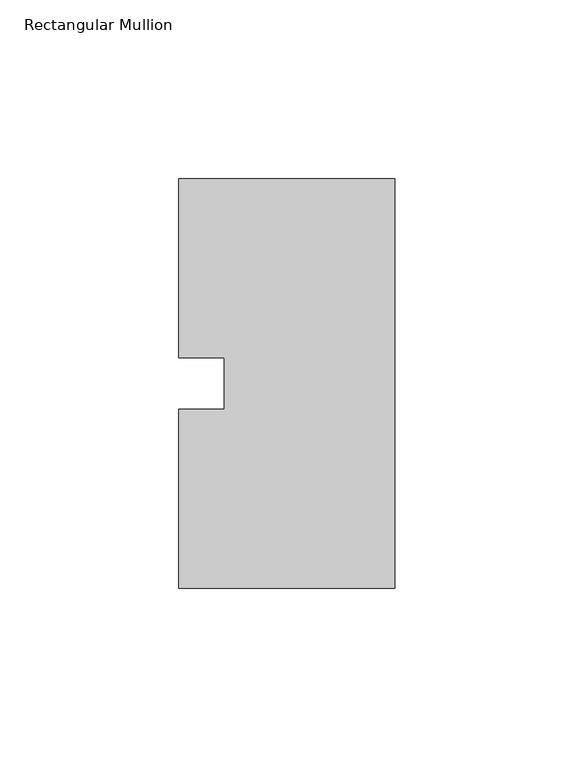
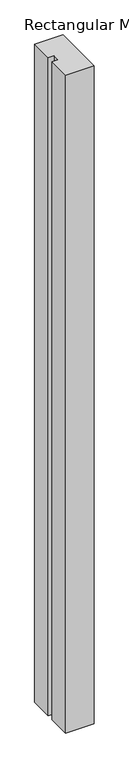
"""IFC4 building model written with IfcOpenShell, lengths in millimetres: member geometry, Rectangular Mullion."""

import ifcopenshell
import ifcopenshell.guid

model = None  # the IFC model being written
_history = None  # IfcOwnerHistory: only IFC2X3 demands one
_inside = {}  # id of a spatial element -> (the spatial element, [elements in it])
_under = {}  # id of a project, library or spatial element -> (it, [spatial elements below it])
_declared = {}  # id of a project -> (the project, [libraries it declares])
_typed = {}  # id of a type object -> (the type object, [elements of that type])
_made_of = {}  # id of a material, layer set ... -> (it, [elements and type objects made of it])


def new_model(schema):
    """Start an empty IFC model of exactly this schema.

    Asked for "IFC4X3", IfcOpenShell would pick the latest addendum, in which some entities
    have other attributes; the version numbers below select the first issue.
    IFC2X3 requires an IfcOwnerHistory on every rooted entity: one is made here for all.
    """
    global model, _history
    if schema == "IFC4X3":
        model = ifcopenshell.file(schema_version=(4, 3, 0, 0))
    else:
        model = ifcopenshell.file(schema=schema)
    _inside.clear()
    _under.clear()
    _declared.clear()
    _typed.clear()
    _made_of.clear()
    _history = None
    if model.schema == "IFC2X3":
        org = make("IfcOrganization", Name="unknown")
        user = make(
            "IfcPersonAndOrganization",
            ThePerson=make("IfcPerson", FamilyName="unknown"),
            TheOrganization=org,
        )
        app = make(
            "IfcApplication",
            ApplicationDeveloper=org,
            Version="unknown",
            ApplicationFullName="unknown",
            ApplicationIdentifier="unknown",
        )
        _history = make(
            "IfcOwnerHistory",
            OwningUser=user,
            OwningApplication=app,
            ChangeAction="ADDED",
            CreationDate=0,
        )
    return model


def make(cls, **values):
    """One entity of the class cls with the attributes given. An attribute that is None is left unset."""
    return model.create_entity(
        cls, **{name: value for name, value in values.items() if value is not None}
    )


def rooted(cls, **values):
    """An entity with a GlobalId (a new one), such as an element, a storey or a relation."""
    return make(cls, GlobalId=ifcopenshell.guid.new(), OwnerHistory=_history, **values)


def si_unit(unit_type, name, prefix=None):
    """IfcSIUnit, for example si_unit("LENGTHUNIT", "METRE", prefix="MILLI")."""
    return make("IfcSIUnit", UnitType=unit_type, Prefix=prefix, Name=name)


def assignment(units):
    """IfcUnitAssignment: the units of a project."""
    return None if units is None else make("IfcUnitAssignment", Units=units)


def point(xyz):
    """IfcCartesianPoint."""
    return None if xyz is None else make("IfcCartesianPoint", Coordinates=xyz)


def direction(xyz):
    """IfcDirection."""
    return None if xyz is None else make("IfcDirection", DirectionRatios=xyz)


def frame(location, z_axis=None, x_axis=None):
    """IfcAxis2Placement3D, a coordinate frame: its origin and axes. An axis left out is left unset."""
    return make(
        "IfcAxis2Placement3D",
        Location=point(location),
        Axis=direction(z_axis),
        RefDirection=direction(x_axis),
    )


def origin():
    """The frame at (0, 0, 0) with its axes left unset."""
    return frame((0.0, 0.0, 0.0))


def place(relative_to, where):
    """IfcLocalPlacement: puts the frame where relative to a parent placement (None: the world)."""
    return make(
        "IfcLocalPlacement", PlacementRelTo=relative_to, RelativePlacement=where
    )


def context(
    kind, dimensions, precision=None, world=None, true_north=None, identifier=None
):
    """IfcGeometricRepresentationContext, for example the 3D "Model" context."""
    return make(
        "IfcGeometricRepresentationContext",
        ContextIdentifier=identifier,
        ContextType=kind,
        CoordinateSpaceDimension=dimensions,
        Precision=precision,
        WorldCoordinateSystem=world,
        TrueNorth=true_north,
    )


def project(units=None, contexts=None):
    """IfcProject with its units and contexts."""
    return rooted(
        "IfcProject",
        Name="project",
        RepresentationContexts=contexts,
        UnitsInContext=assignment(units),
    )


def spatial(cls, under=None, at=None, **own):
    """A site, building, storey or space (cls), placed at a placement, below another one or the project."""
    s = rooted(cls, ObjectPlacement=at, **own)
    if under is not None:
        _under.setdefault(under.id(), (under, []))[1].append(s)
    return s


def polyline(points):
    """IfcPolyline through the points."""
    return make("IfcPolyline", Points=[point(p) for p in points])


def outline(outer, holes=None, kind="AREA"):
    """IfcArbitraryClosedProfileDef: a profile drawn as a closed curve; with holes, ...WithVoids."""
    if holes is None:
        return make("IfcArbitraryClosedProfileDef", ProfileType=kind, OuterCurve=outer)
    return make(
        "IfcArbitraryProfileDefWithVoids",
        ProfileType=kind,
        OuterCurve=outer,
        InnerCurves=holes,
    )


def extrude(swept, where, along, depth):
    """IfcExtrudedAreaSolid: the profile swept, set in the frame where, extruded along a direction by depth."""
    return make(
        "IfcExtrudedAreaSolid",
        SweptArea=swept,
        Position=where,
        ExtrudedDirection=direction(along),
        Depth=depth,
    )


def shape(context_of_items, identifier, shape_type, items):
    """IfcShapeRepresentation: the items that make up one representation, for example the "Body"."""
    return make(
        "IfcShapeRepresentation",
        ContextOfItems=context_of_items,
        RepresentationIdentifier=identifier,
        RepresentationType=shape_type,
        Items=items,
    )


def source(mapping_origin, context_of_items, identifier, shape_type, items):
    """IfcRepresentationMap: a shape defined once, which mapped items show again and again."""
    return make(
        "IfcRepresentationMap",
        MappingOrigin=mapping_origin,
        MappedRepresentation=shape(context_of_items, identifier, shape_type, items),
    )


def transform(
    local_origin,
    x_axis=None,
    y_axis=None,
    z_axis=None,
    scale=None,
    scale2=None,
    scale3=None,
    uniform=True,
):
    """IfcCartesianTransformationOperator3D, or its non-uniform kind. x_axis, y_axis, z_axis: its Axis1, 2, 3."""
    if uniform:
        return make(
            "IfcCartesianTransformationOperator3D",
            Axis1=direction(x_axis),
            Axis2=direction(y_axis),
            LocalOrigin=point(local_origin),
            Scale=scale,
            Axis3=direction(z_axis),
        )
    return make(
        "IfcCartesianTransformationOperator3DnonUniform",
        Axis1=direction(x_axis),
        Axis2=direction(y_axis),
        LocalOrigin=point(local_origin),
        Scale=scale,
        Axis3=direction(z_axis),
        Scale2=scale2,
        Scale3=scale3,
    )


def mapped(mapping_source, mapping_target):
    """IfcMappedItem: shows the shape of a source again, moved by a transform."""
    return make(
        "IfcMappedItem", MappingSource=mapping_source, MappingTarget=mapping_target
    )


def made_of(thing, what):
    """Note that an element or type object is made of a material, layer set ...; save() writes the relation."""
    if what is not None:
        _made_of.setdefault(what.id(), (what, []))[1].append(thing)
    return thing


def element(
    cls,
    number,
    at=None,
    inside=None,
    cuts=None,
    type_object=None,
    material=None,
    context=None,
    identifier="Body",
    shape_type=None,
    held_by="IfcProductDefinitionShape",
    body=None,
    shapes=None,
    **own,
):
    """One element of the class cls, such as IfcWall. Its Tag is "e" and its number.

    at: its placement. inside: the storey or other place that contains it. cuts: it is an
    opening in that element (IfcRelVoidsElement). A single representation is given by context,
    identifier, shape_type and body (its items); several are given by shapes. held_by: the class
    of the entity that holds the representations. save() writes the other relations.
    """
    e = rooted(cls, Tag="e%d" % number, ObjectPlacement=at, **own)
    if body is not None:
        shapes = [shape(context, identifier, shape_type, body)]
    if shapes is not None:
        e.Representation = make(held_by, Representations=shapes)
    if inside is not None:
        _inside.setdefault(inside.id(), (inside, []))[1].append(e)
    if cuts is not None:
        rooted(
            "IfcRelVoidsElement", RelatingBuildingElement=cuts, RelatedOpeningElement=e
        )
    if type_object is not None:
        _typed.setdefault(type_object.id(), (type_object, []))[1].append(e)
    return made_of(e, material)


def aggregate(whole, parts):
    """IfcRelAggregates: a whole, such as a stair, and the parts it consists of."""
    return rooted("IfcRelAggregates", RelatingObject=whole, RelatedObjects=parts)


def save(model, path):
    """Write the relations noted so far, then the file.

    IfcRelAggregates (storeys below a building ...), IfcRelContainedInSpatialStructure (elements
    in a storey), IfcRelDefinesByType, IfcRelAssociatesMaterial and IfcRelDeclares: one each for
    every whole, place, type object, material and project.
    """
    for whole, parts in _under.values():
        aggregate(whole, parts)
    for where, things in _inside.values():
        rooted(
            "IfcRelContainedInSpatialStructure",
            RelatedElements=things,
            RelatingStructure=where,
        )
    for kind, things in _typed.values():
        rooted("IfcRelDefinesByType", RelatedObjects=things, RelatingType=kind)
    for what, things in _made_of.values():
        rooted("IfcRelAssociatesMaterial", RelatedObjects=things, RelatingMaterial=what)
    for by, libraries in _declared.values():
        rooted("IfcRelDeclares", RelatingContext=by, RelatedDefinitions=libraries)
    model.write(path)


def rectangular_mullion_3bc73b51(model_context):
    return source(origin(), model_context, "Body", "SweptSolid", [
        extrude(outline(polyline([(-60.325, 57.15), (0.0, 57.15), (0.0, -57.15), (-60.325, -57.15), (-60.325, -7.14375), (-47.6232296, -7.14375), (-47.6232296, 7.14375), (-60.325, 7.14375), (-60.325, 57.15)])), frame((0.0, 0.0, -1478.28), z_axis=(0.0, 0.0, 1.0), x_axis=(1.0, 0.0, 0.0)), (0.0, 0.0, 1.0), 1478.28),
    ])


if __name__ == "__main__":
    model = new_model("IFC4")
    model_context = context("Model", 3, world=origin())
    ifc_project = project(units=[si_unit("LENGTHUNIT", "METRE", prefix="MILLI")], contexts=[model_context])
    site = spatial("IfcSite", under=ifc_project)
    building = spatial("IfcBuilding", under=site)
    placement = place(None, origin())
    rectangular_mullion_shape = rectangular_mullion_3bc73b51(model_context)
    element("IfcMember", 1, ObjectType="Rectangular Mullion", at=placement, inside=building, context=model_context, shape_type="MappedRepresentation", body=[
        mapped(rectangular_mullion_shape, transform((0.0, 0.0, 0.0), x_axis=(1.0, 0.0, 0.0), y_axis=(0.0, 1.0, 0.0), z_axis=(0.0, 0.0, 1.0))),
    ])
    save(model, "model.ifc")
